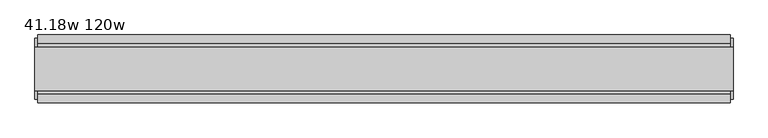
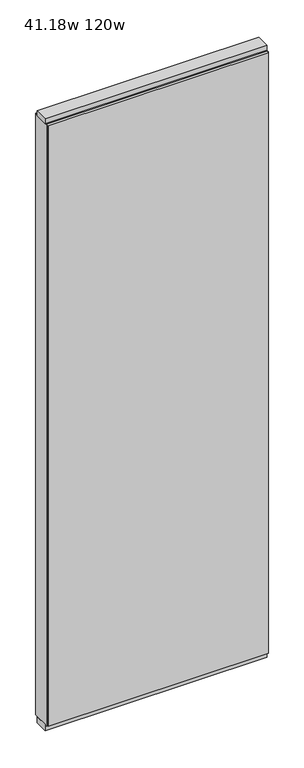
"""IFC4 building model written with IfcOpenShell, lengths in millimetres: furniture geometry, 41.18w 120w."""

import ifcopenshell
import ifcopenshell.guid

model = None  # the IFC model being written
_history = None  # IfcOwnerHistory: only IFC2X3 demands one
_inside = {}  # id of a spatial element -> (the spatial element, [elements in it])
_under = {}  # id of a project, library or spatial element -> (it, [spatial elements below it])
_declared = {}  # id of a project -> (the project, [libraries it declares])
_typed = {}  # id of a type object -> (the type object, [elements of that type])
_made_of = {}  # id of a material, layer set ... -> (it, [elements and type objects made of it])


def new_model(schema):
    """Start an empty IFC model of exactly this schema.

    Asked for "IFC4X3", IfcOpenShell would pick the latest addendum, in which some entities
    have other attributes; the version numbers below select the first issue.
    IFC2X3 requires an IfcOwnerHistory on every rooted entity: one is made here for all.
    """
    global model, _history
    if schema == "IFC4X3":
        model = ifcopenshell.file(schema_version=(4, 3, 0, 0))
    else:
        model = ifcopenshell.file(schema=schema)
    _inside.clear()
    _under.clear()
    _declared.clear()
    _typed.clear()
    _made_of.clear()
    _history = None
    if model.schema == "IFC2X3":
        org = make("IfcOrganization", Name="unknown")
        user = make(
            "IfcPersonAndOrganization",
            ThePerson=make("IfcPerson", FamilyName="unknown"),
            TheOrganization=org,
        )
        app = make(
            "IfcApplication",
            ApplicationDeveloper=org,
            Version="unknown",
            ApplicationFullName="unknown",
            ApplicationIdentifier="unknown",
        )
        _history = make(
            "IfcOwnerHistory",
            OwningUser=user,
            OwningApplication=app,
            ChangeAction="ADDED",
            CreationDate=0,
        )
    return model


def make(cls, **values):
    """One entity of the class cls with the attributes given. An attribute that is None is left unset."""
    return model.create_entity(
        cls, **{name: value for name, value in values.items() if value is not None}
    )


def rooted(cls, **values):
    """An entity with a GlobalId (a new one), such as an element, a storey or a relation."""
    return make(cls, GlobalId=ifcopenshell.guid.new(), OwnerHistory=_history, **values)


def si_unit(unit_type, name, prefix=None):
    """IfcSIUnit, for example si_unit("LENGTHUNIT", "METRE", prefix="MILLI")."""
    return make("IfcSIUnit", UnitType=unit_type, Prefix=prefix, Name=name)


def assignment(units):
    """IfcUnitAssignment: the units of a project."""
    return None if units is None else make("IfcUnitAssignment", Units=units)


def point(xyz):
    """IfcCartesianPoint."""
    return None if xyz is None else make("IfcCartesianPoint", Coordinates=xyz)


def direction(xyz):
    """IfcDirection."""
    return None if xyz is None else make("IfcDirection", DirectionRatios=xyz)


def frame(location, z_axis=None, x_axis=None):
    """IfcAxis2Placement3D, a coordinate frame: its origin and axes. An axis left out is left unset."""
    return make(
        "IfcAxis2Placement3D",
        Location=point(location),
        Axis=direction(z_axis),
        RefDirection=direction(x_axis),
    )


def origin():
    """The frame at (0, 0, 0) with its axes left unset."""
    return frame((0.0, 0.0, 0.0))


def origin_with_axes():
    """The frame at (0, 0, 0) with the z axis (0, 0, 1) and the x axis (1, 0, 0) written out."""
    return frame((0.0, 0.0, 0.0), z_axis=(0.0, 0.0, 1.0), x_axis=(1.0, 0.0, 0.0))


def place(relative_to, where):
    """IfcLocalPlacement: puts the frame where relative to a parent placement (None: the world)."""
    return make(
        "IfcLocalPlacement", PlacementRelTo=relative_to, RelativePlacement=where
    )


def context(
    kind, dimensions, precision=None, world=None, true_north=None, identifier=None
):
    """IfcGeometricRepresentationContext, for example the 3D "Model" context."""
    return make(
        "IfcGeometricRepresentationContext",
        ContextIdentifier=identifier,
        ContextType=kind,
        CoordinateSpaceDimension=dimensions,
        Precision=precision,
        WorldCoordinateSystem=world,
        TrueNorth=true_north,
    )


def project(units=None, contexts=None):
    """IfcProject with its units and contexts."""
    return rooted(
        "IfcProject",
        Name="project",
        RepresentationContexts=contexts,
        UnitsInContext=assignment(units),
    )


def spatial(cls, under=None, at=None, **own):
    """A site, building, storey or space (cls), placed at a placement, below another one or the project."""
    s = rooted(cls, ObjectPlacement=at, **own)
    if under is not None:
        _under.setdefault(under.id(), (under, []))[1].append(s)
    return s


def polyline(points):
    """IfcPolyline through the points."""
    return make("IfcPolyline", Points=[point(p) for p in points])


def outline(outer, holes=None, kind="AREA"):
    """IfcArbitraryClosedProfileDef: a profile drawn as a closed curve; with holes, ...WithVoids."""
    if holes is None:
        return make("IfcArbitraryClosedProfileDef", ProfileType=kind, OuterCurve=outer)
    return make(
        "IfcArbitraryProfileDefWithVoids",
        ProfileType=kind,
        OuterCurve=outer,
        InnerCurves=holes,
    )


def extrude(swept, where, along, depth):
    """IfcExtrudedAreaSolid: the profile swept, set in the frame where, extruded along a direction by depth."""
    return make(
        "IfcExtrudedAreaSolid",
        SweptArea=swept,
        Position=where,
        ExtrudedDirection=direction(along),
        Depth=depth,
    )


def shape(context_of_items, identifier, shape_type, items):
    """IfcShapeRepresentation: the items that make up one representation, for example the "Body"."""
    return make(
        "IfcShapeRepresentation",
        ContextOfItems=context_of_items,
        RepresentationIdentifier=identifier,
        RepresentationType=shape_type,
        Items=items,
    )


def source(mapping_origin, context_of_items, identifier, shape_type, items):
    """IfcRepresentationMap: a shape defined once, which mapped items show again and again."""
    return make(
        "IfcRepresentationMap",
        MappingOrigin=mapping_origin,
        MappedRepresentation=shape(context_of_items, identifier, shape_type, items),
    )


def transform(
    local_origin,
    x_axis=None,
    y_axis=None,
    z_axis=None,
    scale=None,
    scale2=None,
    scale3=None,
    uniform=True,
):
    """IfcCartesianTransformationOperator3D, or its non-uniform kind. x_axis, y_axis, z_axis: its Axis1, 2, 3."""
    if uniform:
        return make(
            "IfcCartesianTransformationOperator3D",
            Axis1=direction(x_axis),
            Axis2=direction(y_axis),
            LocalOrigin=point(local_origin),
            Scale=scale,
            Axis3=direction(z_axis),
        )
    return make(
        "IfcCartesianTransformationOperator3DnonUniform",
        Axis1=direction(x_axis),
        Axis2=direction(y_axis),
        LocalOrigin=point(local_origin),
        Scale=scale,
        Axis3=direction(z_axis),
        Scale2=scale2,
        Scale3=scale3,
    )


def mapped(mapping_source, mapping_target):
    """IfcMappedItem: shows the shape of a source again, moved by a transform."""
    return make(
        "IfcMappedItem", MappingSource=mapping_source, MappingTarget=mapping_target
    )


def made_of(thing, what):
    """Note that an element or type object is made of a material, layer set ...; save() writes the relation."""
    if what is not None:
        _made_of.setdefault(what.id(), (what, []))[1].append(thing)
    return thing


def element(
    cls,
    number,
    at=None,
    inside=None,
    cuts=None,
    type_object=None,
    material=None,
    context=None,
    identifier="Body",
    shape_type=None,
    held_by="IfcProductDefinitionShape",
    body=None,
    shapes=None,
    **own,
):
    """One element of the class cls, such as IfcWall. Its Tag is "e" and its number.

    at: its placement. inside: the storey or other place that contains it. cuts: it is an
    opening in that element (IfcRelVoidsElement). A single representation is given by context,
    identifier, shape_type and body (its items); several are given by shapes. held_by: the class
    of the entity that holds the representations. save() writes the other relations.
    """
    e = rooted(cls, Tag="e%d" % number, ObjectPlacement=at, **own)
    if body is not None:
        shapes = [shape(context, identifier, shape_type, body)]
    if shapes is not None:
        e.Representation = make(held_by, Representations=shapes)
    if inside is not None:
        _inside.setdefault(inside.id(), (inside, []))[1].append(e)
    if cuts is not None:
        rooted(
            "IfcRelVoidsElement", RelatingBuildingElement=cuts, RelatedOpeningElement=e
        )
    if type_object is not None:
        _typed.setdefault(type_object.id(), (type_object, []))[1].append(e)
    return made_of(e, material)


def aggregate(whole, parts):
    """IfcRelAggregates: a whole, such as a stair, and the parts it consists of."""
    return rooted("IfcRelAggregates", RelatingObject=whole, RelatedObjects=parts)


def save(model, path):
    """Write the relations noted so far, then the file.

    IfcRelAggregates (storeys below a building ...), IfcRelContainedInSpatialStructure (elements
    in a storey), IfcRelDefinesByType, IfcRelAssociatesMaterial and IfcRelDeclares: one each for
    every whole, place, type object, material and project.
    """
    for whole, parts in _under.values():
        aggregate(whole, parts)
    for where, things in _inside.values():
        rooted(
            "IfcRelContainedInSpatialStructure",
            RelatedElements=things,
            RelatingStructure=where,
        )
    for kind, things in _typed.values():
        rooted("IfcRelDefinesByType", RelatedObjects=things, RelatingType=kind)
    for what, things in _made_of.values():
        rooted("IfcRelAssociatesMaterial", RelatedObjects=things, RelatingMaterial=what)
    for by, libraries in _declared.values():
        rooted("IfcRelDeclares", RelatingContext=by, RelatedDefinitions=libraries)
    model.write(path)


def furniture_41_18w_120w_d395615c(model_context):
    return source(origin(), model_context, "Body", "SweptSolid", [
        extrude(outline(polyline([(459.0085083, 46.2822784), (459.0085083, 33.5822784), (-579.0815542, 33.5822784), (-579.0815542, 46.2822784), (459.0085083, 46.2822784)])), frame((0.0, 0.0, 31.75), z_axis=(0.0, 0.0, 1.0), x_axis=(1.0, 0.0, 0.0)), (0.0, 0.0, 1.0), 2990.85),
        extrude(outline(polyline([(459.0085083, -55.3177216), (-579.0815542, -55.3177216), (-579.0815542, -42.6177216), (459.0085083, -42.6177216), (459.0085083, -55.3177216)])), frame((0.0, 0.0, 31.75), z_axis=(0.0, 0.0, 1.0), x_axis=(1.0, 0.0, 0.0)), (0.0, 0.0, 1.0), 2990.85),
        extrude(outline(polyline([(-42.6177216, 2986.278), (-42.6177216, 3022.6), (33.5822784, 3022.6), (33.5822784, 2986.278), (28.6292784, 2986.278), (28.6292784, 2981.325), (-37.6647216, 2981.325), (-37.6647216, 2986.278), (-42.6177216, 2986.278)])), frame((-579.0815542, 0.0, 0.0), z_axis=(1.0, 0.0, 0.0), x_axis=(0.0, 1.0, 0.0)), (0.0, 0.0, 1.0), 1038.0900625),
        extrude(outline(polyline([(462.9455083, 27.9942784), (462.9455083, -37.0297216), (-583.0185542, -37.0297216), (-583.0185542, 27.9942784), (462.9455083, 27.9942784)])), origin_with_axes(), (0.0, 0.0, 1.0), 31.75),
        extrude(outline(polyline([(-583.0185542, -37.0297216), (-583.0185542, 27.9942784), (462.9455083, 27.9942784), (462.9455083, -37.0297216), (-583.0185542, -37.0297216)])), frame((0.0, 0.0, 3022.6), z_axis=(0.0, 0.0, 1.0), x_axis=(1.0, 0.0, 0.0)), (0.0, 0.0, 1.0), 25.4),
        extrude(outline(polyline([(462.9455083, -50.3647216), (459.0085083, -50.3647216), (459.0085083, 41.3292784), (462.9455083, 41.3292784), (462.9455083, -50.3647216)])), frame((0.0, 0.0, 31.75), z_axis=(0.0, 0.0, 1.0), x_axis=(1.0, 0.0, 0.0)), (0.0, 0.0, 1.0), 2990.85),
        extrude(outline(polyline([(-583.0185542, -50.3647216), (-583.0185542, 41.3292784), (-579.0815542, 41.3292784), (-579.0815542, -50.3647216), (-583.0185542, -50.3647216)])), frame((0.0, 0.0, 31.75), z_axis=(0.0, 0.0, 1.0), x_axis=(1.0, 0.0, 0.0)), (0.0, 0.0, 1.0), 2990.85),
    ])


if __name__ == "__main__":
    model = new_model("IFC4")
    model_context = context("Model", 3, world=origin())
    ifc_project = project(units=[si_unit("LENGTHUNIT", "METRE", prefix="MILLI")], contexts=[model_context])
    site = spatial("IfcSite", under=ifc_project)
    building = spatial("IfcBuilding", under=site)
    placement = place(None, origin())
    furniture_41_18w_120w_shape = furniture_41_18w_120w_d395615c(model_context)
    element("IfcFurniture", 1, ObjectType="41.18w 120w", at=placement, inside=building, context=model_context, shape_type="MappedRepresentation", body=[
        mapped(furniture_41_18w_120w_shape, transform((0.0, 0.0, 0.0), x_axis=(1.0, 0.0, 0.0), y_axis=(0.0, 1.0, 0.0), z_axis=(0.0, 0.0, 1.0))),
    ])
    save(model, "model.ifc")
